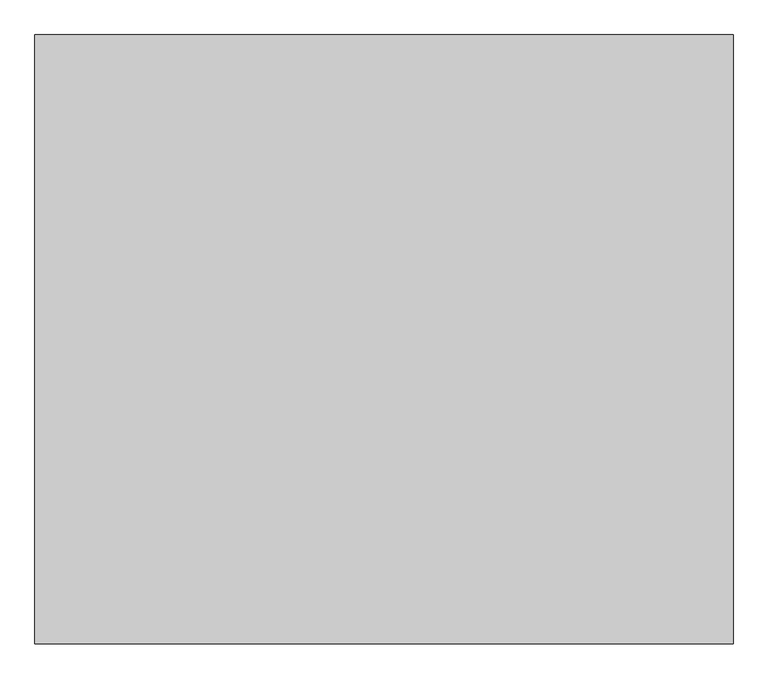
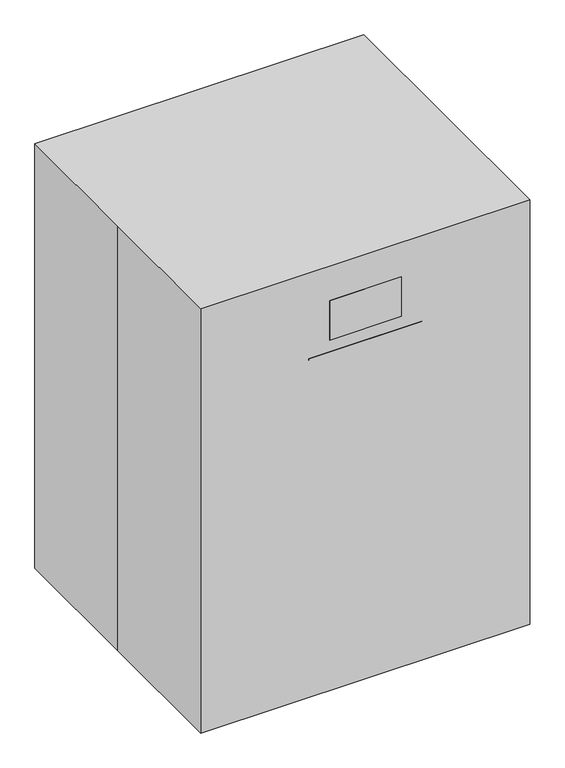
"""IFC4 building model written with IfcOpenShell, lengths in millimetres: proxy geometry."""

from ifc_helpers import new_model, si_unit, point, frame, frame_2d, origin, origin_with_axes, place, context, project, spatial, polyline, circle_curve, trimmed, segment, composite_curve, outline, extrude, source, transform, mapped, element, save


def specialty_equipment_ce2adc56(model_context):
    return source(origin(), model_context, "Body", "SweptSolid", [
        extrude(outline(composite_curve([segment(polyline([(1676.4, 150.1790709), (1676.4, -24.4459291)]), True, "CONTINUOUS"), segment(trimmed(circle_curve(frame_2d((1600.2, -24.4459291)), 76.2), [point((1676.4, -24.4459291))], [point((1631.3022589, 45.1176353))], False, "CARTESIAN"), True, "CONTINUOUS"), segment(polyline([(1631.3022589, 45.1176353), (1631.3022589, 80.6155065)]), True, "CONTINUOUS"), segment(trimmed(circle_curve(frame_2d((1600.2, 150.1790709)), 76.2), [point((1631.3022589, 80.6155065))], [point((1676.4, 150.1790709))], False, "CARTESIAN"), True, "CONTINUOUS")], self_intersect=False)), frame((0.0, -12.7, 0.0), z_axis=(0.0, 1.0, 0.0), x_axis=(0.0, 0.0, 1.0)), (0.0, 0.0, 1.0), 25.4),
        extrude(outline(polyline([(0.0, 418.4665709), (1879.6, 418.4665709), (1879.6, 37.4665709), (1651.0, 37.4665709), (1651.0, 88.2665709), (1828.8, 88.2665709), (1828.8, 367.6665709), (0.0, 367.6665709), (0.0, 418.4665709)])), frame((0.0, -25.4, 0.0), z_axis=(0.0, 1.0, 0.0), x_axis=(0.0, 0.0, 1.0)), (0.0, 0.0, 1.0), 50.8),
        extrude(outline(polyline([(38.1, -586.0285273), (-38.1, -586.0285273), (-38.1, -554.2785273), (38.1, -554.2785273), (38.1, -586.0285273)])), frame((0.0, 0.0, 1506.0432118), z_axis=(0.0, 0.0, 1.0), x_axis=(1.0, 0.0, 0.0)), (0.0, 0.0, 1.0), 82.55),
        extrude(outline(polyline([(153.6668582, -609.6), (-151.1331418, -609.6), (-151.1331418, -522.9785012), (153.6668582, -522.9785012), (153.6668582, -609.6)])), frame((0.0, 0.0, 1571.5741763), z_axis=(0.0, 0.0, 1.0), x_axis=(1.0, 0.0, 0.0)), (0.0, 0.0, 1.0), 177.8),
        extrude(outline(polyline([(-203.2, 990.6), (203.2, 990.6), (203.2, 914.4), (-127.0, 914.4), (-127.0, 685.8), (-203.2, 685.8), (-203.2, 990.6)])), frame((-292.7334291, 0.0, 0.0), z_axis=(1.0, 0.0, 0.0), x_axis=(0.0, 1.0, 0.0)), (0.0, 0.0, 1.0), 52.0668582),
        extrude(outline(polyline([(-203.2, 990.6), (203.2, 990.6), (203.2, 914.4), (-127.0, 914.4), (-127.0, 685.8), (-203.2, 685.8), (-203.2, 990.6)])), frame((240.6665709, 0.0, 0.0), z_axis=(1.0, 0.0, 0.0), x_axis=(0.0, 1.0, 0.0)), (0.0, 0.0, 1.0), 55.7916128),
        extrude(outline(polyline([(415.2788736, 248.5774656), (281.6065302, 685.8), (-417.0499197, 685.8), (-609.6, 1519.8260276), (-522.9785012, 1539.8241763), (-357.2795546, 822.1031866), (293.0556053, 822.1031866), (449.0066726, 312.0102298), (594.7475174, 356.5676776), (609.6, 307.987396), (415.2788736, 248.5774656)])), frame((-240.6665709, 0.0, 0.0), z_axis=(1.0, 0.0, 0.0), x_axis=(0.0, 1.0, 0.0)), (0.0, 0.0, 1.0), 481.3331418),
        extrude(outline(polyline([(418.4665709, -371.0235257), (-292.7334291, -371.0235257), (-292.7334291, 281.6065302), (418.4665709, 281.6065302), (418.4665709, -371.0235257)])), origin_with_axes(), (0.0, 0.0, 1.0), 685.8),
        extrude(outline(polyline([(-698.5, -609.6), (-698.5, 0.0), (-698.5, 609.6), (698.5, 609.6), (698.5, -609.6), (-698.5, -609.6)])), origin_with_axes(), (0.0, 0.0, 1.0), 1905.0),
    ])


if __name__ == "__main__":
    model = new_model("IFC4")
    model_context = context("Model", 3, world=origin())
    ifc_project = project(units=[si_unit("LENGTHUNIT", "METRE", prefix="MILLI")], contexts=[model_context])
    site = spatial("IfcSite", under=ifc_project)
    building = spatial("IfcBuilding", under=site)
    placement = place(None, origin())
    specialty_equipment_shape = specialty_equipment_ce2adc56(model_context)
    element("IfcBuildingElementProxy", 1, Name="Specialty Equipment", at=placement, inside=building, context=model_context, shape_type="MappedRepresentation", body=[
        mapped(specialty_equipment_shape, transform((0.0, 0.0, 0.0), x_axis=(1.0, 0.0, 0.0), y_axis=(0.0, 1.0, 0.0), z_axis=(0.0, 0.0, 1.0))),
    ])
    save(model, "model.ifc")
